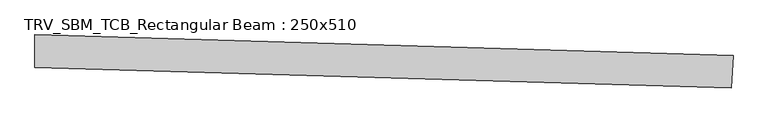
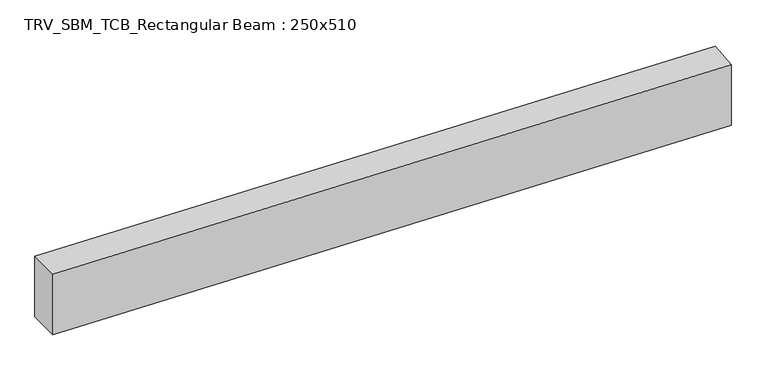
"""IFC4 building model written with IfcOpenShell, lengths in millimetres: beam geometry, TRV_SBM_TCB_Rectangular Beam : 250x510."""

from ifc_helpers import new_model, si_unit, point, frame, frame_2d, origin, place, context, project, spatial, polyline, circle_curve, trimmed, segment, composite_curve, outline, extrude, source, transform, mapped, element, save


def trv_sbm_tcb_rectangular_beam_250x510_7cfa796d(model_context):
    return source(origin(), model_context, "Body", "SweptSolid", [
        extrude(outline(composite_curve([segment(polyline([(5332.6324668, -33.993453), (5317.7381119, -283.5493749)]), True, "CONTINUOUS"), segment(trimmed(circle_curve(frame_2d((0.0, -89382.609952)), 89257.609952), [point((5317.7381119, -283.5493749))], [point((-12.6837641, -125.0009012))], True, "CARTESIAN"), True, "CONTINUOUS"), segment(polyline([(-12.6837641, -125.0009012), (-12.7192898, 124.9990963)]), True, "CONTINUOUS"), segment(trimmed(circle_curve(frame_2d((0.0, -89382.609952)), 89507.609952), [point((-12.7192898, 124.9990963))], [point((5332.6324668, -33.993453))], False, "CARTESIAN"), True, "CONTINUOUS")], self_intersect=False)), frame((0.0, 0.0, -255.0), z_axis=(0.0, 0.0, 1.0), x_axis=(1.0, 0.0, 0.0)), (0.0, 0.0, 1.0), 510.0),
    ])


if __name__ == "__main__":
    model = new_model("IFC4")
    model_context = context("Model", 3, world=origin())
    ifc_project = project(units=[si_unit("LENGTHUNIT", "METRE", prefix="MILLI")], contexts=[model_context])
    site = spatial("IfcSite", under=ifc_project)
    building = spatial("IfcBuilding", under=site)
    placement = place(None, origin())
    trv_sbm_tcb_rectangular_beam_250x510_shape = trv_sbm_tcb_rectangular_beam_250x510_7cfa796d(model_context)
    element("IfcBeam", 1, ObjectType="TRV_SBM_TCB_Rectangular Beam : 250x510", at=placement, inside=building, context=model_context, shape_type="MappedRepresentation", body=[
        mapped(trv_sbm_tcb_rectangular_beam_250x510_shape, transform((0.0, 0.0, 0.0), x_axis=(1.0, 0.0, 0.0), y_axis=(0.0, 1.0, 0.0), z_axis=(0.0, 0.0, 1.0))),
    ])
    save(model, "model.ifc")
